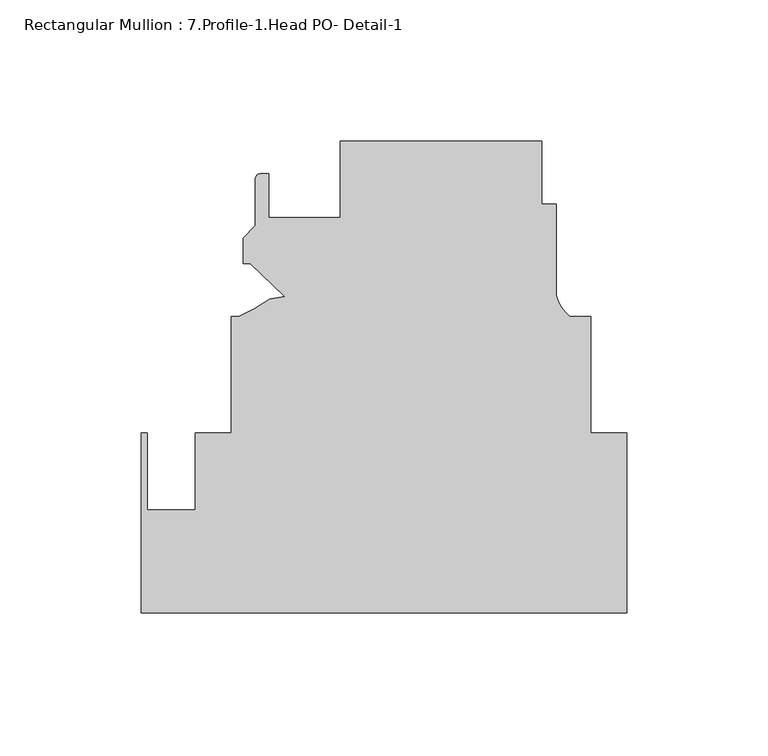
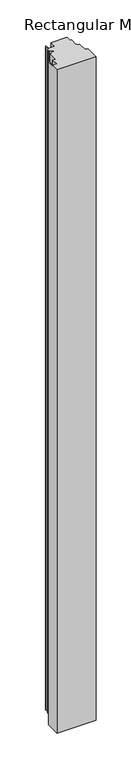
"""IFC4 building model written with IfcOpenShell, lengths in millimetres: member geometry, Rectangular Mullion : 7.Profile-1.Head PO- Detail-1."""

from ifc_helpers import new_model, si_unit, point, frame, frame_2d, origin, place, context, project, spatial, polyline, circle_curve, trimmed, segment, composite_curve, outline, extrude, source, transform, mapped, element, save


def rectangular_mullion_7_profile_1_head_po_detail_1_7da19f3e(model_context):
    return source(origin(), model_context, "Body", "SweptSolid", [
        extrude(outline(composite_curve([segment(polyline([(-29.9937161, 166.6874997), (-29.9937161, 144.4624997), (-24.9137161, 144.4624997), (-24.9137161, 112.0675123)]), True, "CONTINUOUS"), segment(trimmed(circle_curve(frame_2d((-11.6829025, 115.5946813)), 13.6928942), [point((-24.9137161, 112.0675123))], [point((-20.0751513, 104.7749997))], True, "CARTESIAN"), True, "CONTINUOUS"), segment(polyline([(-20.0751513, 104.7749997), (-12.7059974, 104.7749997), (-12.7059974, 63.5254), (0.0, 63.5254), (0.0, 0.0), (-171.4499999, 0.0), (-171.4499999, 63.4999996), (-169.4179999, 63.4999996), (-169.4179999, 36.3401991), (-152.5173426, 36.3401991), (-152.5173426, 63.4999996), (-139.7059974, 63.4999996), (-139.7059974, 104.7749997), (-137.0039163, 104.7749997)]), True, "CONTINUOUS"), segment(trimmed(circle_curve(frame_2d((-158.927358, 156.4307299)), 56.1155216), [point((-137.0039163, 104.7749997))], [point((-126.1709187, 110.8679441))], True, "CARTESIAN"), True, "CONTINUOUS"), segment(polyline([(-126.1709187, 110.8679441), (-120.734135, 111.8265958), (-132.9399161, 123.4511492), (-135.4799161, 123.4511492), (-135.4799161, 132.5514414), (-131.2127161, 136.8186414), (-131.2127161, 153.4231492)]), True, "CONTINUOUS"), segment(trimmed(circle_curve(frame_2d((-129.4347161, 153.4231492)), 1.778), [point((-131.2127161, 153.4231492))], [point((-129.4347161, 155.2011492))], False, "CARTESIAN"), True, "CONTINUOUS"), segment(polyline([(-129.4347161, 155.2011492), (-126.513716, 155.2011492), (-126.513716, 139.7000002), (-101.1137161, 139.7000002), (-101.1137161, 166.6874997), (-29.9937161, 166.6874997)]), True, "CONTINUOUS")], self_intersect=False)), frame((0.0, 0.0, -3048.0), z_axis=(0.0, 0.0, 1.0), x_axis=(1.0, 0.0, 0.0)), (0.0, 0.0, 1.0), 3048.0),
    ])


if __name__ == "__main__":
    model = new_model("IFC4")
    model_context = context("Model", 3, world=origin())
    ifc_project = project(units=[si_unit("LENGTHUNIT", "METRE", prefix="MILLI")], contexts=[model_context])
    site = spatial("IfcSite", under=ifc_project)
    building = spatial("IfcBuilding", under=site)
    placement = place(None, origin())
    rectangular_mullion_7_profile_1_head_po_detail_1_shape = rectangular_mullion_7_profile_1_head_po_detail_1_7da19f3e(model_context)
    element("IfcMember", 1, ObjectType="Rectangular Mullion : 7.Profile-1.Head PO- Detail-1", at=placement, inside=building, context=model_context, shape_type="MappedRepresentation", body=[
        mapped(rectangular_mullion_7_profile_1_head_po_detail_1_shape, transform((0.0, 0.0, 0.0), x_axis=(1.0, 0.0, 0.0), y_axis=(0.0, 1.0, 0.0), z_axis=(0.0, 0.0, 1.0))),
    ])
    save(model, "model.ifc")
